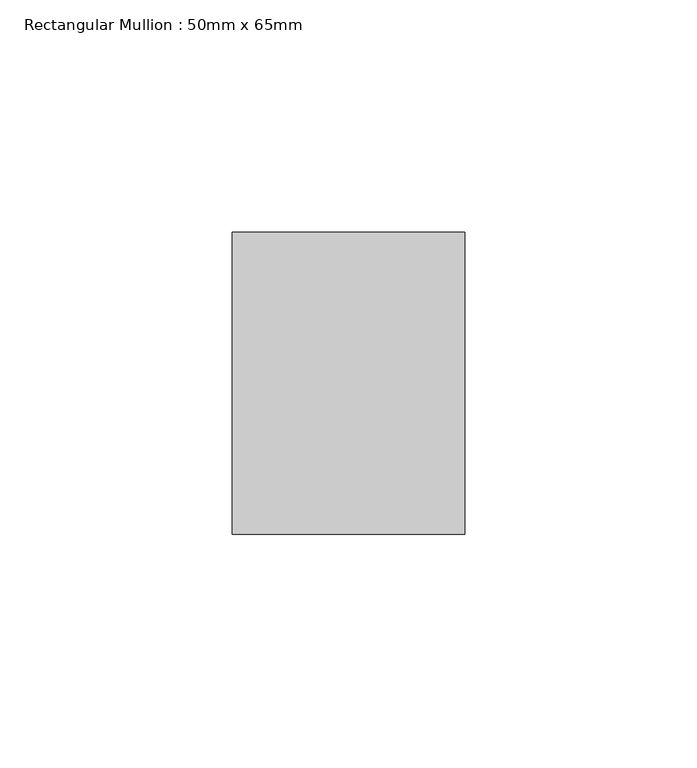
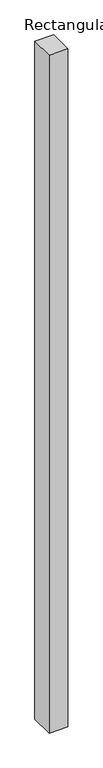
"""IFC4 building model written with IfcOpenShell, lengths in millimetres: member geometry, Rectangular Mullion : 50mm x 65mm."""

from ifc_helpers import new_model, si_unit, frame, origin, place, context, project, spatial, polyline, outline, extrude, source, transform, mapped, element, save


def rectangular_mullion_50mm_x_65mm_6968e73f(model_context):
    return source(origin(), model_context, "Body", "SweptSolid", [
        extrude(outline(polyline([(25.0, 32.5), (25.0, -32.5), (-25.0, -32.5), (-25.0, 32.5), (25.0, 32.5)])), frame((0.0, 0.0, -1897.7015301), z_axis=(0.0, 0.0, 1.0), x_axis=(1.0, 0.0, 0.0)), (0.0, 0.0, 1.0), 1897.7015301),
    ])


if __name__ == "__main__":
    model = new_model("IFC4")
    model_context = context("Model", 3, world=origin())
    ifc_project = project(units=[si_unit("LENGTHUNIT", "METRE", prefix="MILLI")], contexts=[model_context])
    site = spatial("IfcSite", under=ifc_project)
    building = spatial("IfcBuilding", under=site)
    placement = place(None, origin())
    rectangular_mullion_50mm_x_65mm_shape = rectangular_mullion_50mm_x_65mm_6968e73f(model_context)
    element("IfcMember", 1, ObjectType="Rectangular Mullion : 50mm x 65mm", at=placement, inside=building, context=model_context, shape_type="MappedRepresentation", body=[
        mapped(rectangular_mullion_50mm_x_65mm_shape, transform((0.0, 0.0, 0.0), x_axis=(1.0, 0.0, 0.0), y_axis=(0.0, 1.0, 0.0), z_axis=(0.0, 0.0, 1.0))),
    ])
    save(model, "model.ifc")
